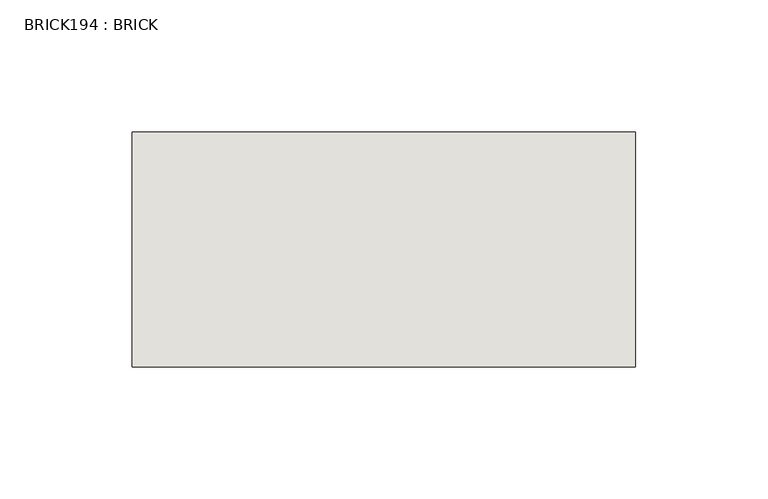
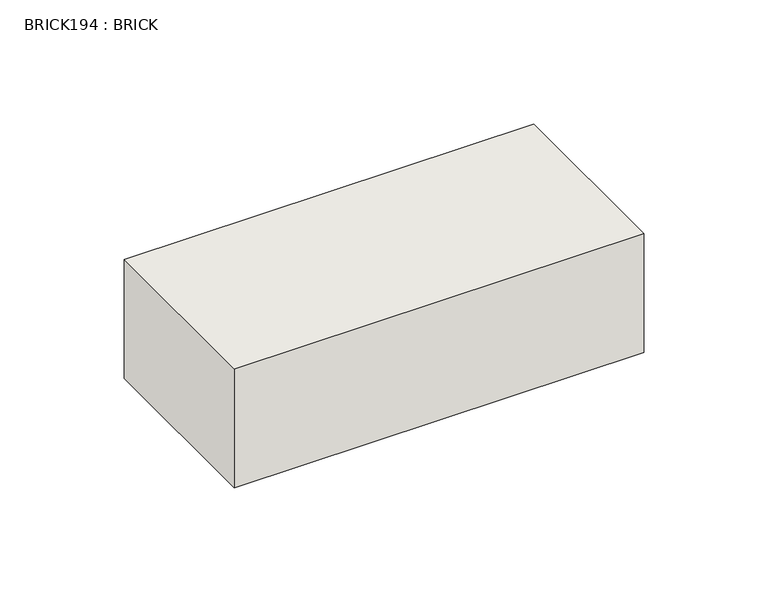
"""IFC4 building model written with IfcOpenShell, lengths in millimetres: wall geometry, BRICK194 : BRICK."""

import ifcopenshell
import ifcopenshell.guid

model = None  # the IFC model being written
_history = None  # IfcOwnerHistory: only IFC2X3 demands one
_inside = {}  # id of a spatial element -> (the spatial element, [elements in it])
_under = {}  # id of a project, library or spatial element -> (it, [spatial elements below it])
_declared = {}  # id of a project -> (the project, [libraries it declares])
_typed = {}  # id of a type object -> (the type object, [elements of that type])
_made_of = {}  # id of a material, layer set ... -> (it, [elements and type objects made of it])


def new_model(schema):
    """Start an empty IFC model of exactly this schema.

    Asked for "IFC4X3", IfcOpenShell would pick the latest addendum, in which some entities
    have other attributes; the version numbers below select the first issue.
    IFC2X3 requires an IfcOwnerHistory on every rooted entity: one is made here for all.
    """
    global model, _history
    if schema == "IFC4X3":
        model = ifcopenshell.file(schema_version=(4, 3, 0, 0))
    else:
        model = ifcopenshell.file(schema=schema)
    _inside.clear()
    _under.clear()
    _declared.clear()
    _typed.clear()
    _made_of.clear()
    _history = None
    if model.schema == "IFC2X3":
        org = make("IfcOrganization", Name="unknown")
        user = make(
            "IfcPersonAndOrganization",
            ThePerson=make("IfcPerson", FamilyName="unknown"),
            TheOrganization=org,
        )
        app = make(
            "IfcApplication",
            ApplicationDeveloper=org,
            Version="unknown",
            ApplicationFullName="unknown",
            ApplicationIdentifier="unknown",
        )
        _history = make(
            "IfcOwnerHistory",
            OwningUser=user,
            OwningApplication=app,
            ChangeAction="ADDED",
            CreationDate=0,
        )
    return model


def make(cls, **values):
    """One entity of the class cls with the attributes given. An attribute that is None is left unset."""
    return model.create_entity(
        cls, **{name: value for name, value in values.items() if value is not None}
    )


def rooted(cls, **values):
    """An entity with a GlobalId (a new one), such as an element, a storey or a relation."""
    return make(cls, GlobalId=ifcopenshell.guid.new(), OwnerHistory=_history, **values)


def si_unit(unit_type, name, prefix=None):
    """IfcSIUnit, for example si_unit("LENGTHUNIT", "METRE", prefix="MILLI")."""
    return make("IfcSIUnit", UnitType=unit_type, Prefix=prefix, Name=name)


def assignment(units):
    """IfcUnitAssignment: the units of a project."""
    return None if units is None else make("IfcUnitAssignment", Units=units)


def point(xyz):
    """IfcCartesianPoint."""
    return None if xyz is None else make("IfcCartesianPoint", Coordinates=xyz)


def direction(xyz):
    """IfcDirection."""
    return None if xyz is None else make("IfcDirection", DirectionRatios=xyz)


def frame(location, z_axis=None, x_axis=None):
    """IfcAxis2Placement3D, a coordinate frame: its origin and axes. An axis left out is left unset."""
    return make(
        "IfcAxis2Placement3D",
        Location=point(location),
        Axis=direction(z_axis),
        RefDirection=direction(x_axis),
    )


def origin():
    """The frame at (0, 0, 0) with its axes left unset."""
    return frame((0.0, 0.0, 0.0))


def place(relative_to, where):
    """IfcLocalPlacement: puts the frame where relative to a parent placement (None: the world)."""
    return make(
        "IfcLocalPlacement", PlacementRelTo=relative_to, RelativePlacement=where
    )


def context(
    kind, dimensions, precision=None, world=None, true_north=None, identifier=None
):
    """IfcGeometricRepresentationContext, for example the 3D "Model" context."""
    return make(
        "IfcGeometricRepresentationContext",
        ContextIdentifier=identifier,
        ContextType=kind,
        CoordinateSpaceDimension=dimensions,
        Precision=precision,
        WorldCoordinateSystem=world,
        TrueNorth=true_north,
    )


def project(units=None, contexts=None):
    """IfcProject with its units and contexts."""
    return rooted(
        "IfcProject",
        Name="project",
        RepresentationContexts=contexts,
        UnitsInContext=assignment(units),
    )


def spatial(cls, under=None, at=None, **own):
    """A site, building, storey or space (cls), placed at a placement, below another one or the project."""
    s = rooted(cls, ObjectPlacement=at, **own)
    if under is not None:
        _under.setdefault(under.id(), (under, []))[1].append(s)
    return s


def polyline(points):
    """IfcPolyline through the points."""
    return make("IfcPolyline", Points=[point(p) for p in points])


def outline(outer, holes=None, kind="AREA"):
    """IfcArbitraryClosedProfileDef: a profile drawn as a closed curve; with holes, ...WithVoids."""
    if holes is None:
        return make("IfcArbitraryClosedProfileDef", ProfileType=kind, OuterCurve=outer)
    return make(
        "IfcArbitraryProfileDefWithVoids",
        ProfileType=kind,
        OuterCurve=outer,
        InnerCurves=holes,
    )


def extrude(swept, where, along, depth):
    """IfcExtrudedAreaSolid: the profile swept, set in the frame where, extruded along a direction by depth."""
    return make(
        "IfcExtrudedAreaSolid",
        SweptArea=swept,
        Position=where,
        ExtrudedDirection=direction(along),
        Depth=depth,
    )


def shape(context_of_items, identifier, shape_type, items):
    """IfcShapeRepresentation: the items that make up one representation, for example the "Body"."""
    return make(
        "IfcShapeRepresentation",
        ContextOfItems=context_of_items,
        RepresentationIdentifier=identifier,
        RepresentationType=shape_type,
        Items=items,
    )


def source(mapping_origin, context_of_items, identifier, shape_type, items):
    """IfcRepresentationMap: a shape defined once, which mapped items show again and again."""
    return make(
        "IfcRepresentationMap",
        MappingOrigin=mapping_origin,
        MappedRepresentation=shape(context_of_items, identifier, shape_type, items),
    )


def transform(
    local_origin,
    x_axis=None,
    y_axis=None,
    z_axis=None,
    scale=None,
    scale2=None,
    scale3=None,
    uniform=True,
):
    """IfcCartesianTransformationOperator3D, or its non-uniform kind. x_axis, y_axis, z_axis: its Axis1, 2, 3."""
    if uniform:
        return make(
            "IfcCartesianTransformationOperator3D",
            Axis1=direction(x_axis),
            Axis2=direction(y_axis),
            LocalOrigin=point(local_origin),
            Scale=scale,
            Axis3=direction(z_axis),
        )
    return make(
        "IfcCartesianTransformationOperator3DnonUniform",
        Axis1=direction(x_axis),
        Axis2=direction(y_axis),
        LocalOrigin=point(local_origin),
        Scale=scale,
        Axis3=direction(z_axis),
        Scale2=scale2,
        Scale3=scale3,
    )


def mapped(mapping_source, mapping_target):
    """IfcMappedItem: shows the shape of a source again, moved by a transform."""
    return make(
        "IfcMappedItem", MappingSource=mapping_source, MappingTarget=mapping_target
    )


def made_of(thing, what):
    """Note that an element or type object is made of a material, layer set ...; save() writes the relation."""
    if what is not None:
        _made_of.setdefault(what.id(), (what, []))[1].append(thing)
    return thing


def element(
    cls,
    number,
    at=None,
    inside=None,
    cuts=None,
    type_object=None,
    material=None,
    context=None,
    identifier="Body",
    shape_type=None,
    held_by="IfcProductDefinitionShape",
    body=None,
    shapes=None,
    **own,
):
    """One element of the class cls, such as IfcWall. Its Tag is "e" and its number.

    at: its placement. inside: the storey or other place that contains it. cuts: it is an
    opening in that element (IfcRelVoidsElement). A single representation is given by context,
    identifier, shape_type and body (its items); several are given by shapes. held_by: the class
    of the entity that holds the representations. save() writes the other relations.
    """
    e = rooted(cls, Tag="e%d" % number, ObjectPlacement=at, **own)
    if body is not None:
        shapes = [shape(context, identifier, shape_type, body)]
    if shapes is not None:
        e.Representation = make(held_by, Representations=shapes)
    if inside is not None:
        _inside.setdefault(inside.id(), (inside, []))[1].append(e)
    if cuts is not None:
        rooted(
            "IfcRelVoidsElement", RelatingBuildingElement=cuts, RelatedOpeningElement=e
        )
    if type_object is not None:
        _typed.setdefault(type_object.id(), (type_object, []))[1].append(e)
    return made_of(e, material)


def aggregate(whole, parts):
    """IfcRelAggregates: a whole, such as a stair, and the parts it consists of."""
    return rooted("IfcRelAggregates", RelatingObject=whole, RelatedObjects=parts)


def save(model, path):
    """Write the relations noted so far, then the file.

    IfcRelAggregates (storeys below a building ...), IfcRelContainedInSpatialStructure (elements
    in a storey), IfcRelDefinesByType, IfcRelAssociatesMaterial and IfcRelDeclares: one each for
    every whole, place, type object, material and project.
    """
    for whole, parts in _under.values():
        aggregate(whole, parts)
    for where, things in _inside.values():
        rooted(
            "IfcRelContainedInSpatialStructure",
            RelatedElements=things,
            RelatingStructure=where,
        )
    for kind, things in _typed.values():
        rooted("IfcRelDefinesByType", RelatedObjects=things, RelatingType=kind)
    for what, things in _made_of.values():
        rooted("IfcRelAssociatesMaterial", RelatedObjects=things, RelatingMaterial=what)
    for by, libraries in _declared.values():
        rooted("IfcRelDeclares", RelatingContext=by, RelatedDefinitions=libraries)
    model.write(path)


def brick194_brick_00606b44(model_context):
    return source(origin(), model_context, "Body", "SweptSolid", [
        extrude(outline(polyline([(-768.7316239, 3062.3923312), (-578.2316239, 3062.3923312), (-578.2316239, 2973.4923312), (-768.7316239, 2973.4923312), (-768.7316239, 3062.3923312)])), frame((0.0, 0.0, 74.3148438), z_axis=(0.0, 0.0, 1.0), x_axis=(1.0, 0.0, 0.0)), (0.0, 0.0, 1.0), 58.4398438),
    ])


if __name__ == "__main__":
    model = new_model("IFC4")
    model_context = context("Model", 3, world=origin())
    ifc_project = project(units=[si_unit("LENGTHUNIT", "METRE", prefix="MILLI")], contexts=[model_context])
    site = spatial("IfcSite", under=ifc_project)
    building = spatial("IfcBuilding", under=site)
    placement = place(None, origin())
    brick194_brick_shape = brick194_brick_00606b44(model_context)
    element("IfcWall", 1, ObjectType="BRICK194 : BRICK", at=placement, inside=building, context=model_context, shape_type="MappedRepresentation", body=[
        mapped(brick194_brick_shape, transform((0.0, 0.0, 0.0), x_axis=(1.0, 0.0, 0.0), y_axis=(0.0, 1.0, 0.0), z_axis=(0.0, 0.0, 1.0))),
    ])
    save(model, "model.ifc")
